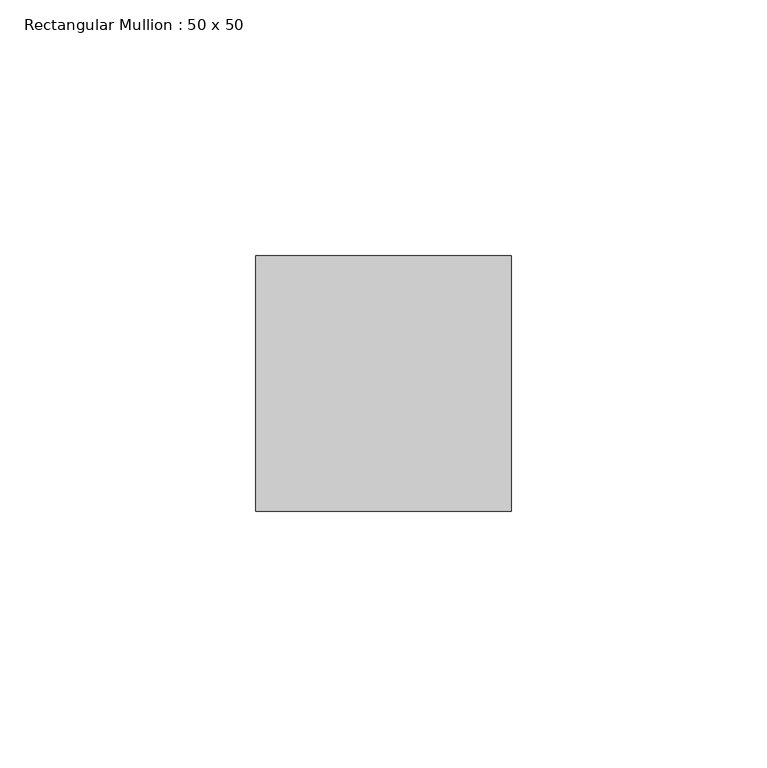
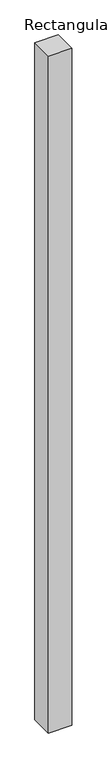
"""IFC4 building model written with IfcOpenShell, lengths in millimetres: member geometry, Rectangular Mullion : 50 x 50."""

from ifc_helpers import new_model, si_unit, frame, origin, place, context, project, spatial, polyline, outline, extrude, source, transform, mapped, element, save


def rectangular_mullion_50_x_50_ce1640f0(model_context):
    return source(origin(), model_context, "Body", "SweptSolid", [
        extrude(outline(polyline([(25.0, 25.0), (25.0, -25.0), (-25.0, -25.0), (-25.0, 25.0), (25.0, 25.0)])), frame((0.0, 0.0, -1526.4679237), z_axis=(0.0, 0.0, 1.0), x_axis=(1.0, 0.0, 0.0)), (0.0, 0.0, 1.0), 1526.4679237),
    ])


if __name__ == "__main__":
    model = new_model("IFC4")
    model_context = context("Model", 3, world=origin())
    ifc_project = project(units=[si_unit("LENGTHUNIT", "METRE", prefix="MILLI")], contexts=[model_context])
    site = spatial("IfcSite", under=ifc_project)
    building = spatial("IfcBuilding", under=site)
    placement = place(None, origin())
    rectangular_mullion_50_x_50_shape = rectangular_mullion_50_x_50_ce1640f0(model_context)
    element("IfcMember", 1, ObjectType="Rectangular Mullion : 50 x 50", at=placement, inside=building, context=model_context, shape_type="MappedRepresentation", body=[
        mapped(rectangular_mullion_50_x_50_shape, transform((0.0, 0.0, 0.0), x_axis=(1.0, 0.0, 0.0), y_axis=(0.0, 1.0, 0.0), z_axis=(0.0, 0.0, 1.0))),
    ])
    save(model, "model.ifc")
